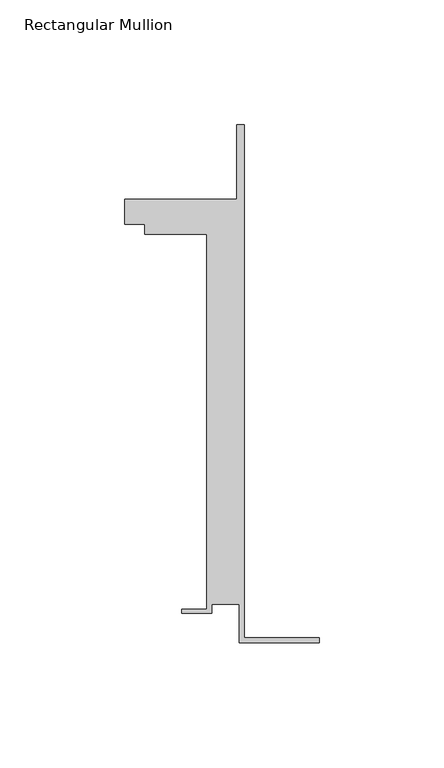
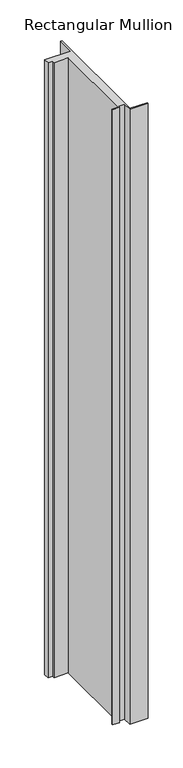
"""IFC4 building model written with IfcOpenShell, lengths in millimetres: member geometry, Rectangular Mullion."""

from ifc_helpers import new_model, si_unit, frame, origin, place, context, project, spatial, polyline, outline, extrude, source, transform, mapped, element, save


def rectangular_mullion_4fa21a6e(model_context):
    return source(origin(), model_context, "Body", "SweptSolid", [
        extrude(outline(polyline([(-32.1465839, -41.25), (-32.1465839, -25.75), (-43.1465839, -25.75), (-43.1465839, -29.25), (-55.1465839, -29.25), (-55.1465839, -27.75), (-45.1465839, -27.75), (-45.1465839, 122.75), (-70.1466122, 122.75), (-70.1466122, 126.75), (-78.1466122, 126.75), (-78.1466122, 136.75), (-33.1466122, 136.75), (-33.1466122, 166.75), (-30.1465839, 166.75), (-30.1465839, -39.25), (0.0, -39.25), (0.0, -41.25), (-32.1465839, -41.25)])), frame((0.0, 0.0, -1135.6039019), z_axis=(0.0, 0.0, 1.0), x_axis=(1.0, 0.0, 0.0)), (0.0, 0.0, 1.0), 1135.6039019),
    ])


if __name__ == "__main__":
    model = new_model("IFC4")
    model_context = context("Model", 3, world=origin())
    ifc_project = project(units=[si_unit("LENGTHUNIT", "METRE", prefix="MILLI")], contexts=[model_context])
    site = spatial("IfcSite", under=ifc_project)
    building = spatial("IfcBuilding", under=site)
    placement = place(None, origin())
    rectangular_mullion_shape = rectangular_mullion_4fa21a6e(model_context)
    element("IfcMember", 1, ObjectType="Rectangular Mullion", at=placement, inside=building, context=model_context, shape_type="MappedRepresentation", body=[
        mapped(rectangular_mullion_shape, transform((0.0, 0.0, 0.0), x_axis=(1.0, 0.0, 0.0), y_axis=(0.0, 1.0, 0.0), z_axis=(0.0, 0.0, 1.0))),
    ])
    save(model, "model.ifc")
